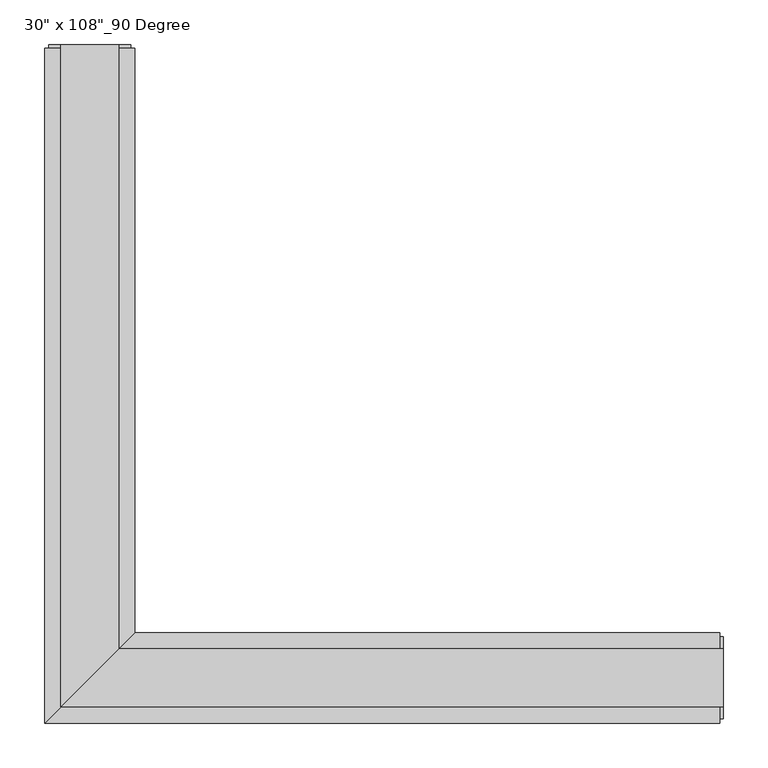
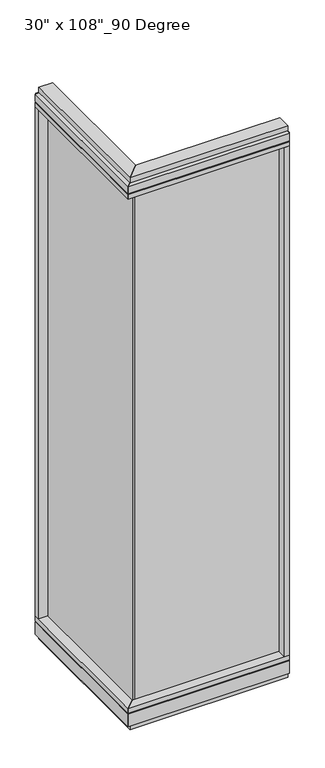
"""IFC4 building model written with IfcOpenShell, lengths in millimetres: furniture geometry."""

from ifc_helpers import new_model, si_unit, frame, origin, origin_with_axes, place, context, project, spatial, polyline, outline, extrude, faceted_brep, source, transform, mapped, element, save


def furniture_62787505(model_context):
    return source(origin(), model_context, "Body", "SolidModel", [
        extrude(outline(polyline([(-395.3165229, 680.5202784), (-385.1565229, 680.5202784), (-385.1565229, -9.5977216), (-395.3165229, -9.5977216), (-395.3165229, 680.5202784)])), frame((0.0, 0.0, 120.523), z_axis=(0.0, 0.0, 1.0), x_axis=(1.0, 0.0, 0.0)), (0.0, 0.0, 1.0), 2533.777),
        extrude(outline(polyline([(-339.4365229, 702.7452784), (-339.4365229, 46.2822784), (-441.0365229, -55.3177216), (-441.0365229, 702.7452784), (-339.4365229, 702.7452784)])), frame((0.0, 0.0, 2654.3), z_axis=(0.0, 0.0, 1.0), x_axis=(1.0, 0.0, 0.0)), (0.0, 0.0, 1.0), 22.225),
        faceted_brep([(-339.4365229, 46.2822784, 2681.478), (-339.4365229, 46.2822784, 2717.8), (-441.0365229, -55.3177216, 2717.8), (-441.0365229, -55.3177216, 2681.478), (-436.0835229, -50.3647216, 2681.478), (-436.0835229, -50.3647216, 2676.525), (-344.3895229, 41.3292784, 2676.525), (-344.3895229, 41.3292784, 2681.478), (-339.4365229, 702.7452784, 2681.478), (-344.3895229, 702.7452784, 2681.478), (-344.3895229, 702.7452784, 2676.525), (-436.0835229, 702.7452784, 2676.525), (-436.0835229, 702.7452784, 2681.478), (-441.0365229, 702.7452784, 2681.478), (-441.0365229, 702.7452784, 2717.8), (-339.4365229, 702.7452784, 2717.8)], [[[0, 1, 2, 3, 4, 5, 6, 7]], [[8, 9, 10, 11, 12, 13, 14, 15]], [[8, 0, 7, 9]], [[13, 3, 2, 14]], [[14, 2, 1, 15]], [[15, 1, 0, 8]], [[9, 7, 6, 10]], [[10, 6, 5, 11]], [[11, 5, 4, 12]], [[12, 4, 3, 13]]]),
        extrude(outline(polyline([(-357.7245229, 706.6822784), (-357.7245229, 27.9942784), (-422.7485229, -37.0297216), (-422.7485229, 706.6822784), (-357.7245229, 706.6822784)])), frame((0.0, 0.0, 2717.8), z_axis=(0.0, 0.0, 1.0), x_axis=(1.0, 0.0, 0.0)), (0.0, 0.0, 1.0), 25.4),
        faceted_brep([(-344.3895229, 41.3292784, 93.345), (-344.3895229, 41.3292784, 98.298), (-436.0835229, -50.3647216, 98.298), (-436.0835229, -50.3647216, 93.345), (-441.0365229, -55.3177216, 93.345), (-441.0365229, -55.3177216, 31.75), (-339.4365229, 46.2822784, 31.75), (-339.4365229, 46.2822784, 93.345), (-339.4365229, 702.7452784, 93.345), (-339.4365229, 702.7452784, 31.75), (-441.0365229, 702.7452784, 31.75), (-441.0365229, 702.7452784, 93.345), (-436.0835229, 702.7452784, 93.345), (-436.0835229, 702.7452784, 98.298), (-344.3895229, 702.7452784, 98.298), (-344.3895229, 702.7452784, 93.345)], [[[0, 1, 2, 3, 4, 5, 6, 7]], [[8, 9, 10, 11, 12, 13, 14, 15]], [[15, 0, 7, 8]], [[10, 5, 4, 11]], [[9, 6, 5, 10]], [[8, 7, 6, 9]], [[14, 1, 0, 15]], [[13, 2, 1, 14]], [[12, 3, 2, 13]], [[11, 4, 3, 12]]]),
        extrude(outline(polyline([(-339.4365229, 702.7452784), (-339.4365229, 46.2822784), (-441.0365229, -55.3177216), (-441.0365229, 702.7452784), (-339.4365229, 702.7452784)])), frame((0.0, 0.0, 98.298), z_axis=(0.0, 0.0, 1.0), x_axis=(1.0, 0.0, 0.0)), (0.0, 0.0, 1.0), 22.225),
        extrude(outline(polyline([(-357.7245229, 706.6822784), (-357.7245229, 27.9942784), (-422.7485229, -37.0297216), (-422.7485229, 706.6822784), (-357.7245229, 706.6822784)])), origin_with_axes(), (0.0, 0.0, 1.0), 31.75),
        extrude(outline(polyline([(-441.0365229, 680.5202784), (-441.0365229, 702.7452784), (-339.4365229, 702.7452784), (-339.4365229, 680.5202784), (-441.0365229, 680.5202784)])), frame((0.0, 0.0, 120.523), z_axis=(0.0, 0.0, 1.0), x_axis=(1.0, 0.0, 0.0)), (0.0, 0.0, 1.0), 2533.777),
        extrude(outline(polyline([(-436.0835229, 706.6822784), (-344.3895229, 706.6822784), (-344.3895229, 702.7452784), (-436.0835229, 702.7452784), (-436.0835229, 706.6822784)])), frame((0.0, 0.0, 31.75), z_axis=(0.0, 0.0, 1.0), x_axis=(1.0, 0.0, 0.0)), (0.0, 0.0, 1.0), 2686.05),
        extrude(outline(polyline([(294.8014771, -9.5977216), (-395.3165229, -9.5977216), (-395.3165229, 0.5622784), (294.8014771, 0.5622784), (294.8014771, -9.5977216)])), frame((0.0, 0.0, 120.523), z_axis=(0.0, 0.0, 1.0), x_axis=(1.0, 0.0, 0.0)), (0.0, 0.0, 1.0), 2533.777),
        extrude(outline(polyline([(317.0264771, 46.2822784), (317.0264771, -55.3177216), (-441.0365229, -55.3177216), (-339.4365229, 46.2822784), (317.0264771, 46.2822784)])), frame((0.0, 0.0, 2654.3), z_axis=(0.0, 0.0, 1.0), x_axis=(1.0, 0.0, 0.0)), (0.0, 0.0, 1.0), 22.225),
        faceted_brep([(-339.4365229, 46.2822784, 2681.478), (-344.3895229, 41.3292784, 2681.478), (-344.3895229, 41.3292784, 2676.525), (-436.0835229, -50.3647216, 2676.525), (-436.0835229, -50.3647216, 2681.478), (-441.0365229, -55.3177216, 2681.478), (-441.0365229, -55.3177216, 2717.8), (-339.4365229, 46.2822784, 2717.8), (317.0264771, 46.2822784, 2681.478), (317.0264771, 46.2822784, 2717.8), (317.0264771, -55.3177216, 2717.8), (317.0264771, -55.3177216, 2681.478), (317.0264771, -50.3647216, 2681.478), (317.0264771, -50.3647216, 2676.525), (317.0264771, 41.3292784, 2676.525), (317.0264771, 41.3292784, 2681.478)], [[[0, 1, 2, 3, 4, 5, 6, 7]], [[8, 9, 10, 11, 12, 13, 14, 15]], [[8, 15, 1, 0]], [[11, 10, 6, 5]], [[10, 9, 7, 6]], [[9, 8, 0, 7]], [[15, 14, 2, 1]], [[14, 13, 3, 2]], [[13, 12, 4, 3]], [[12, 11, 5, 4]]]),
        extrude(outline(polyline([(320.9634771, 27.9942784), (320.9634771, -37.0297216), (-422.7485229, -37.0297216), (-357.7245229, 27.9942784), (320.9634771, 27.9942784)])), frame((0.0, 0.0, 2717.8), z_axis=(0.0, 0.0, 1.0), x_axis=(1.0, 0.0, 0.0)), (0.0, 0.0, 1.0), 25.4),
        faceted_brep([(-344.3895229, 41.3292784, 93.345), (-339.4365229, 46.2822784, 93.345), (-339.4365229, 46.2822784, 31.75), (-441.0365229, -55.3177216, 31.75), (-441.0365229, -55.3177216, 93.345), (-436.0835229, -50.3647216, 93.345), (-436.0835229, -50.3647216, 98.298), (-344.3895229, 41.3292784, 98.298), (317.0264771, 46.2822784, 93.345), (317.0264771, 41.3292784, 93.345), (317.0264771, 41.3292784, 98.298), (317.0264771, -50.3647216, 98.298), (317.0264771, -50.3647216, 93.345), (317.0264771, -55.3177216, 93.345), (317.0264771, -55.3177216, 31.75), (317.0264771, 46.2822784, 31.75)], [[[0, 1, 2, 3, 4, 5, 6, 7]], [[8, 9, 10, 11, 12, 13, 14, 15]], [[9, 8, 1, 0]], [[14, 13, 4, 3]], [[15, 14, 3, 2]], [[8, 15, 2, 1]], [[10, 9, 0, 7]], [[11, 10, 7, 6]], [[12, 11, 6, 5]], [[13, 12, 5, 4]]]),
        extrude(outline(polyline([(317.0264771, 46.2822784), (317.0264771, -55.3177216), (-441.0365229, -55.3177216), (-339.4365229, 46.2822784), (317.0264771, 46.2822784)])), frame((0.0, 0.0, 98.298), z_axis=(0.0, 0.0, 1.0), x_axis=(1.0, 0.0, 0.0)), (0.0, 0.0, 1.0), 22.225),
        extrude(outline(polyline([(320.9634771, 27.9942784), (320.9634771, -37.0297216), (-422.7485229, -37.0297216), (-357.7245229, 27.9942784), (320.9634771, 27.9942784)])), origin_with_axes(), (0.0, 0.0, 1.0), 31.75),
        extrude(outline(polyline([(294.8014771, -55.3177216), (294.8014771, 46.2822784), (317.0264771, 46.2822784), (317.0264771, -55.3177216), (294.8014771, -55.3177216)])), frame((0.0, 0.0, 120.523), z_axis=(0.0, 0.0, 1.0), x_axis=(1.0, 0.0, 0.0)), (0.0, 0.0, 1.0), 2533.777),
        extrude(outline(polyline([(320.9634771, -50.3647216), (317.0264771, -50.3647216), (317.0264771, 41.3292784), (320.9634771, 41.3292784), (320.9634771, -50.3647216)])), frame((0.0, 0.0, 31.75), z_axis=(0.0, 0.0, 1.0), x_axis=(1.0, 0.0, 0.0)), (0.0, 0.0, 1.0), 2686.05),
    ])


if __name__ == "__main__":
    model = new_model("IFC4")
    model_context = context("Model", 3, world=origin())
    ifc_project = project(units=[si_unit("LENGTHUNIT", "METRE", prefix="MILLI")], contexts=[model_context])
    site = spatial("IfcSite", under=ifc_project)
    building = spatial("IfcBuilding", under=site)
    placement = place(None, origin())
    furniture_shape = furniture_62787505(model_context)
    element("IfcFurniture", 1, ObjectType="30\" x 108\"_90 Degree", at=placement, inside=building, context=model_context, shape_type="MappedRepresentation", body=[
        mapped(furniture_shape, transform((0.0, 0.0, 0.0), x_axis=(1.0, 0.0, 0.0), y_axis=(0.0, 1.0, 0.0), z_axis=(0.0, 0.0, 1.0))),
    ])
    save(model, "model.ifc")
